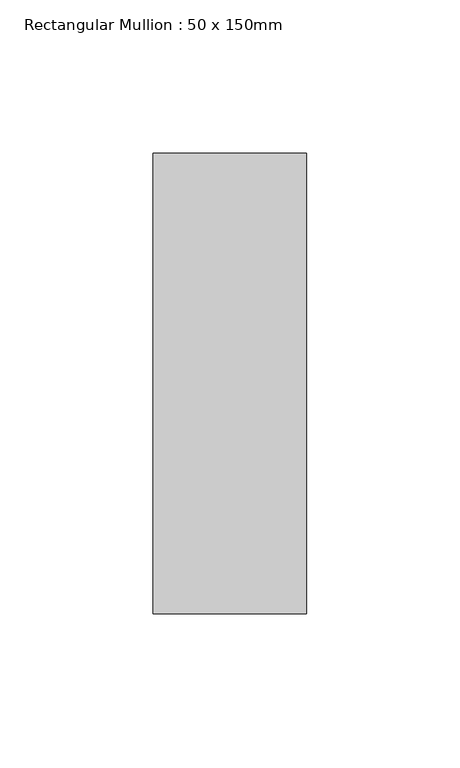
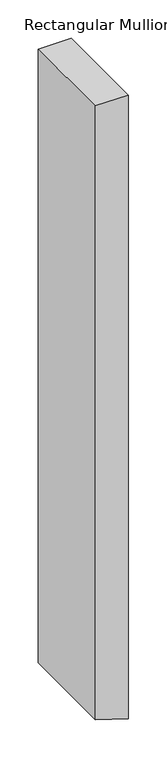
"""IFC4 building model written with IfcOpenShell, lengths in millimetres: member geometry, Rectangular Mullion : 50 x 150mm."""

from ifc_helpers import new_model, si_unit, frame, origin, place, context, project, spatial, polyline, outline, extrude, source, transform, mapped, element, save


def rectangular_mullion_50_x_150mm_a0b7fa34(model_context):
    return source(origin(), model_context, "Body", "SweptSolid", [
        extrude(outline(polyline([(0.0, 0.0), (0.0, -50.0), (-981.3394065, -50.0), (-997.7437714, 0.0), (0.0, 0.0)])), frame((0.0, -75.0, 0.0), z_axis=(0.0, 1.0, 0.0), x_axis=(0.0, 0.0, 1.0)), (0.0, 0.0, 1.0), 150.0),
    ])


if __name__ == "__main__":
    model = new_model("IFC4")
    model_context = context("Model", 3, world=origin())
    ifc_project = project(units=[si_unit("LENGTHUNIT", "METRE", prefix="MILLI")], contexts=[model_context])
    site = spatial("IfcSite", under=ifc_project)
    building = spatial("IfcBuilding", under=site)
    placement = place(None, origin())
    rectangular_mullion_50_x_150mm_shape = rectangular_mullion_50_x_150mm_a0b7fa34(model_context)
    element("IfcMember", 1, ObjectType="Rectangular Mullion : 50 x 150mm", at=placement, inside=building, context=model_context, shape_type="MappedRepresentation", body=[
        mapped(rectangular_mullion_50_x_150mm_shape, transform((0.0, 0.0, 0.0), x_axis=(1.0, 0.0, 0.0), y_axis=(0.0, 1.0, 0.0), z_axis=(0.0, 0.0, 1.0))),
    ])
    save(model, "model.ifc")
